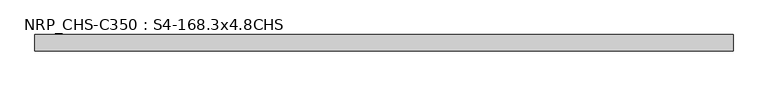
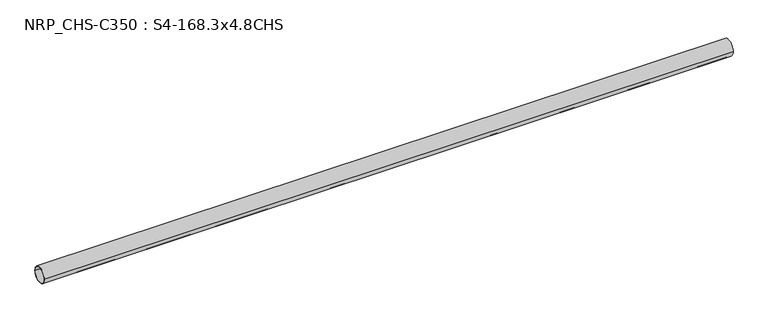
"""IFC4 building model written with IfcOpenShell, lengths in millimetres: beam geometry, NRP_CHS-C350 : S4-168.3x4.8CHS."""

from ifc_helpers import new_model, si_unit, point, frame, origin, origin_2d, place, context, project, spatial, circle_curve, trimmed, segment, composite_curve, outline, extrude, source, transform, mapped, element, save


def nrp_chs_c350_s4_168_3x4_8chs_b0762f5a(model_context):
    return source(origin(), model_context, "Body", "SweptSolid", [
        extrude(outline(composite_curve([segment(trimmed(circle_curve(origin_2d(), 84.15), [point((84.15, 0.0))], [point((-84.15, 0.0))], False, "CARTESIAN"), True, "CONTINUOUS"), segment(trimmed(circle_curve(origin_2d(), 84.15), [point((-84.15, 0.0))], [point((84.15, 0.0))], False, "CARTESIAN"), True, "CONTINUOUS")], self_intersect=False), holes=[composite_curve([segment(trimmed(circle_curve(origin_2d(), 79.35), [point((-79.35, 0.0))], [point((79.35, 0.0))], True, "CARTESIAN"), True, "CONTINUOUS"), segment(trimmed(circle_curve(origin_2d(), 79.35), [point((79.35, 0.0))], [point((-79.35, 0.0))], True, "CARTESIAN"), True, "CONTINUOUS")], self_intersect=False)]), frame((-3585.05, 0.0, 0.0), z_axis=(1.0, 0.0, 0.0), x_axis=(0.0, 1.0, 0.0)), (0.0, 0.0, 1.0), 7189.1),
    ])


if __name__ == "__main__":
    model = new_model("IFC4")
    model_context = context("Model", 3, world=origin())
    ifc_project = project(units=[si_unit("LENGTHUNIT", "METRE", prefix="MILLI")], contexts=[model_context])
    site = spatial("IfcSite", under=ifc_project)
    building = spatial("IfcBuilding", under=site)
    placement = place(None, origin())
    nrp_chs_c350_s4_168_3x4_8chs_shape = nrp_chs_c350_s4_168_3x4_8chs_b0762f5a(model_context)
    element("IfcBeam", 1, ObjectType="NRP_CHS-C350 : S4-168.3x4.8CHS", at=placement, inside=building, context=model_context, shape_type="MappedRepresentation", body=[
        mapped(nrp_chs_c350_s4_168_3x4_8chs_shape, transform((0.0, 0.0, 0.0), x_axis=(1.0, 0.0, 0.0), y_axis=(0.0, 1.0, 0.0), z_axis=(0.0, 0.0, 1.0))),
    ])
    save(model, "model.ifc")
